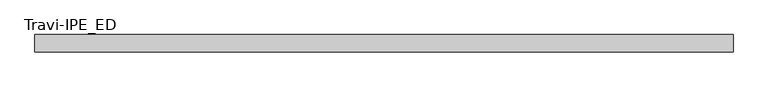
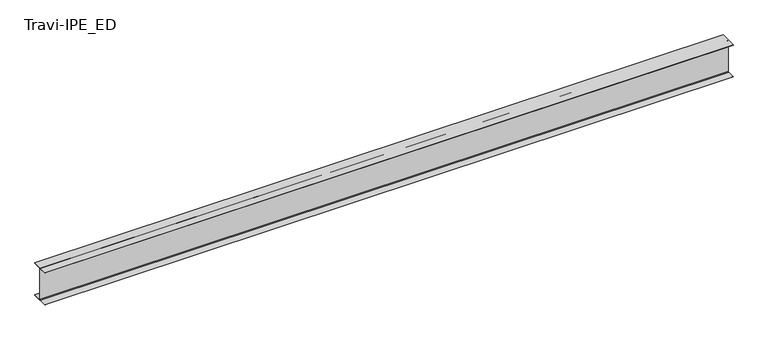
"""IFC4 building model written with IfcOpenShell, lengths in millimetres: beam geometry, Travi-IPE_ED."""

from ifc_helpers import new_model, si_unit, point, frame, frame_2d, origin, place, context, project, spatial, polyline, circle_curve, trimmed, segment, composite_curve, outline, extrude, source, transform, mapped, element, save


def travi_ipe_ed_03b813ee(model_context):
    return source(origin(), model_context, "Body", "SweptSolid", [
        extrude(outline(composite_curve([segment(polyline([(75.0, -147.0), (75.0, -150.0), (-75.0, -150.0), (-75.0, -147.0), (-8.5, -147.0)]), True, "CONTINUOUS"), segment(trimmed(circle_curve(frame_2d((-8.5, -140.0)), 7.0), [point((-8.5, -147.0))], [point((-1.5, -140.0))], True, "CARTESIAN"), True, "CONTINUOUS"), segment(polyline([(-1.5, -140.0), (-1.5, 140.0)]), True, "CONTINUOUS"), segment(trimmed(circle_curve(frame_2d((-8.5, 140.0)), 7.0), [point((-1.5, 140.0))], [point((-8.5, 147.0))], True, "CARTESIAN"), True, "CONTINUOUS"), segment(polyline([(-8.5, 147.0), (-75.0, 147.0), (-75.0, 150.0), (75.0, 150.0), (75.0, 147.0), (8.5, 147.0)]), True, "CONTINUOUS"), segment(trimmed(circle_curve(frame_2d((8.5, 140.0)), 7.0), [point((8.5, 147.0))], [point((1.5, 140.0))], True, "CARTESIAN"), True, "CONTINUOUS"), segment(polyline([(1.5, 140.0), (1.5, -140.0)]), True, "CONTINUOUS"), segment(trimmed(circle_curve(frame_2d((8.5, -140.0)), 7.0), [point((1.5, -140.0))], [point((8.5, -147.0))], True, "CARTESIAN"), True, "CONTINUOUS"), segment(polyline([(8.5, -147.0), (75.0, -147.0)]), True, "CONTINUOUS")], self_intersect=False)), frame((-3000.0, 0.0, 0.0), z_axis=(1.0, 0.0, 0.0), x_axis=(0.0, 1.0, 0.0)), (0.0, 0.0, 1.0), 6050.0),
    ])


if __name__ == "__main__":
    model = new_model("IFC4")
    model_context = context("Model", 3, world=origin())
    ifc_project = project(units=[si_unit("LENGTHUNIT", "METRE", prefix="MILLI")], contexts=[model_context])
    site = spatial("IfcSite", under=ifc_project)
    building = spatial("IfcBuilding", under=site)
    placement = place(None, origin())
    travi_ipe_ed_shape = travi_ipe_ed_03b813ee(model_context)
    element("IfcBeam", 1, ObjectType="Travi-IPE_ED", at=placement, inside=building, context=model_context, shape_type="MappedRepresentation", body=[
        mapped(travi_ipe_ed_shape, transform((0.0, 0.0, 0.0), x_axis=(1.0, 0.0, 0.0), y_axis=(0.0, 1.0, 0.0), z_axis=(0.0, 0.0, 1.0))),
    ])
    save(model, "model.ifc")
